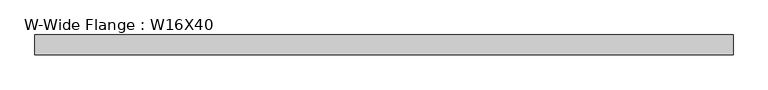
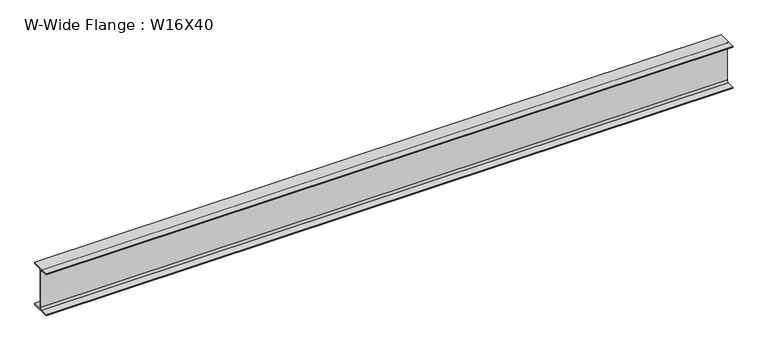
"""IFC4 building model written with IfcOpenShell, lengths in millimetres: beam geometry, W-Wide Flange : W16X40."""

from ifc_helpers import new_model, si_unit, point, frame, frame_2d, origin, place, context, project, spatial, polyline, circle_curve, trimmed, segment, composite_curve, outline, extrude, source, transform, mapped, element, save


def w_wide_flange_w16x40_c0b29104(model_context):
    return source(origin(), model_context, "Body", "SweptSolid", [
        extrude(outline(composite_curve([segment(polyline([(88.9, -190.4), (88.9, -203.2), (-88.9, -203.2), (-88.9, -190.4), (-21.25, -190.4)]), True, "CONTINUOUS"), segment(trimmed(circle_curve(frame_2d((-21.25, -173.0)), 17.4), [point((-21.25, -190.4))], [point((-3.85, -173.0))], True, "CARTESIAN"), True, "CONTINUOUS"), segment(polyline([(-3.85, -173.0), (-3.85, 173.0)]), True, "CONTINUOUS"), segment(trimmed(circle_curve(frame_2d((-21.25, 173.0)), 17.4), [point((-3.85, 173.0))], [point((-21.25, 190.4))], True, "CARTESIAN"), True, "CONTINUOUS"), segment(polyline([(-21.25, 190.4), (-88.9, 190.4), (-88.9, 203.2), (88.9, 203.2), (88.9, 190.4), (21.25, 190.4)]), True, "CONTINUOUS"), segment(trimmed(circle_curve(frame_2d((21.25, 173.0)), 17.4), [point((21.25, 190.4))], [point((3.85, 173.0))], True, "CARTESIAN"), True, "CONTINUOUS"), segment(polyline([(3.85, 173.0), (3.85, -173.0)]), True, "CONTINUOUS"), segment(trimmed(circle_curve(frame_2d((21.25, -173.0)), 17.4), [point((3.85, -173.0))], [point((21.25, -190.4))], True, "CARTESIAN"), True, "CONTINUOUS"), segment(polyline([(21.25, -190.4), (88.9, -190.4)]), True, "CONTINUOUS")], self_intersect=False)), frame((-1735.6464198, 0.0, 0.0), z_axis=(1.0, 0.0, 0.0), x_axis=(0.0, 1.0, 0.0)), (0.0, 0.0, 1.0), 6237.6033903),
    ])


if __name__ == "__main__":
    model = new_model("IFC4")
    model_context = context("Model", 3, world=origin())
    ifc_project = project(units=[si_unit("LENGTHUNIT", "METRE", prefix="MILLI")], contexts=[model_context])
    site = spatial("IfcSite", under=ifc_project)
    building = spatial("IfcBuilding", under=site)
    placement = place(None, origin())
    w_wide_flange_w16x40_shape = w_wide_flange_w16x40_c0b29104(model_context)
    element("IfcBeam", 1, ObjectType="W-Wide Flange : W16X40", at=placement, inside=building, context=model_context, shape_type="MappedRepresentation", body=[
        mapped(w_wide_flange_w16x40_shape, transform((0.0, 0.0, 0.0), x_axis=(1.0, 0.0, 0.0), y_axis=(0.0, 1.0, 0.0), z_axis=(0.0, 0.0, 1.0))),
    ])
    save(model, "model.ifc")
